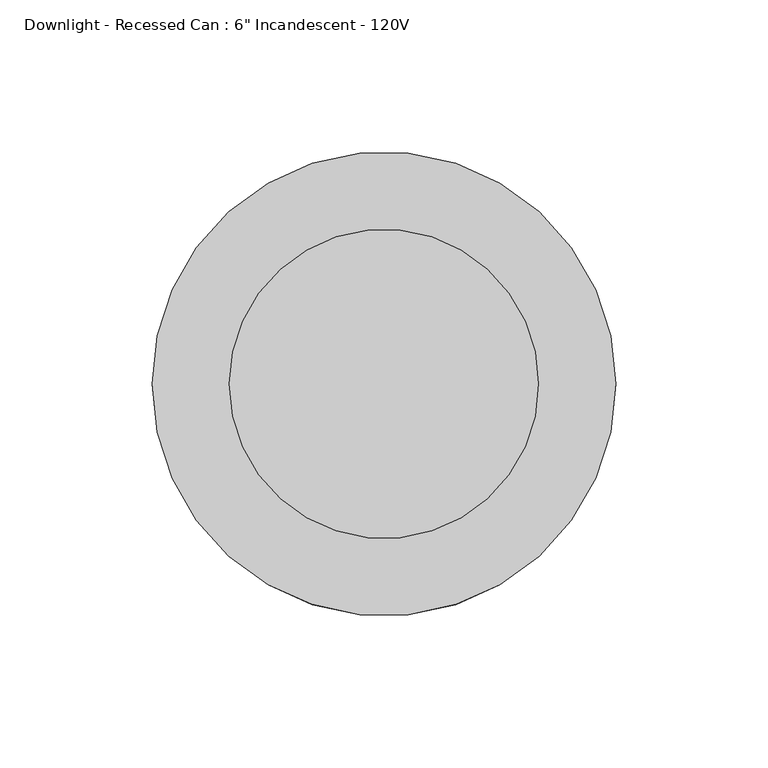
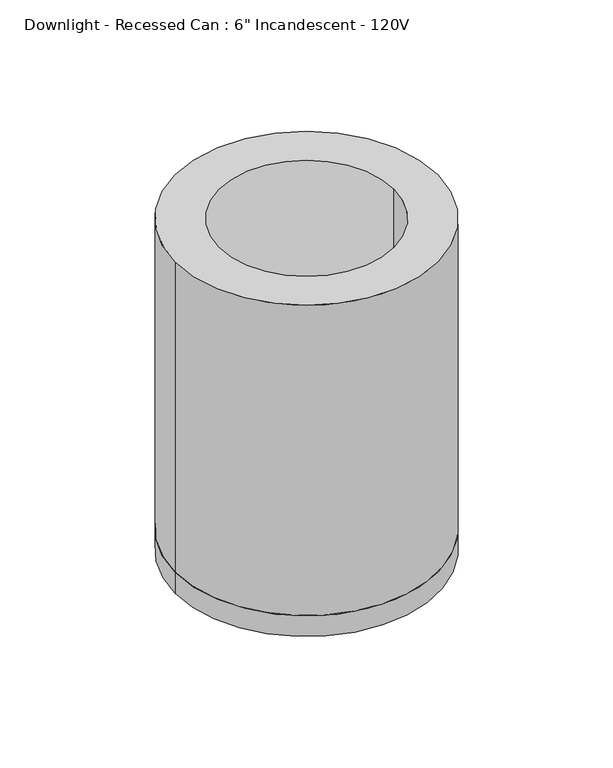
"""IFC4 building model written with IfcOpenShell, lengths in millimetres: light fixture geometry."""

from ifc_helpers import new_model, si_unit, point, frame, origin, origin_2d, place, context, project, spatial, circle_curve, trimmed, segment, composite_curve, outline, extrude, source, transform, mapped, element, save


def light_fixture_654b8648(model_context):
    return source(origin(), model_context, "Body", "SweptSolid", [
        extrude(outline(composite_curve([segment(trimmed(circle_curve(origin_2d(), 76.2), [point((-76.2, 0.0))], [point((76.2, 0.0))], False, "CARTESIAN"), True, "CONTINUOUS"), segment(trimmed(circle_curve(origin_2d(), 76.2), [point((76.2, 0.0))], [point((-76.2, 0.0))], False, "CARTESIAN"), True, "CONTINUOUS")], self_intersect=False)), frame((0.0, 0.0, -203.2), z_axis=(0.0, 0.0, 1.0), x_axis=(1.0, 0.0, 0.0)), (0.0, 0.0, 1.0), 12.7),
        extrude(outline(composite_curve([segment(trimmed(circle_curve(origin_2d(), 76.2), [point((-76.2, 0.0))], [point((76.2, 0.0))], False, "CARTESIAN"), True, "CONTINUOUS"), segment(trimmed(circle_curve(origin_2d(), 76.2), [point((76.2, 0.0))], [point((-76.2, 0.0))], False, "CARTESIAN"), True, "CONTINUOUS")], self_intersect=False), holes=[composite_curve([segment(trimmed(circle_curve(origin_2d(), 50.8), [point((-50.8, 0.0))], [point((50.8, 0.0))], True, "CARTESIAN"), True, "CONTINUOUS"), segment(trimmed(circle_curve(origin_2d(), 50.8), [point((50.8, 0.0))], [point((-50.8, 0.0))], True, "CARTESIAN"), True, "CONTINUOUS")], self_intersect=False)]), frame((0.0, 0.0, -190.5), z_axis=(0.0, 0.0, 1.0), x_axis=(1.0, 0.0, 0.0)), (0.0, 0.0, 1.0), 190.5),
    ])


if __name__ == "__main__":
    model = new_model("IFC4")
    model_context = context("Model", 3, world=origin())
    ifc_project = project(units=[si_unit("LENGTHUNIT", "METRE", prefix="MILLI")], contexts=[model_context])
    site = spatial("IfcSite", under=ifc_project)
    building = spatial("IfcBuilding", under=site)
    placement = place(None, origin())
    light_fixture_shape = light_fixture_654b8648(model_context)
    element("IfcLightFixture", 1, ObjectType="Downlight - Recessed Can : 6\" Incandescent - 120V", at=placement, inside=building, context=model_context, shape_type="MappedRepresentation", body=[
        mapped(light_fixture_shape, transform((0.0, 0.0, 0.0), x_axis=(1.0, 0.0, 0.0), y_axis=(0.0, 1.0, 0.0), z_axis=(0.0, 0.0, 1.0))),
    ])
    save(model, "model.ifc")
